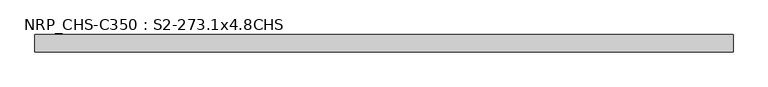
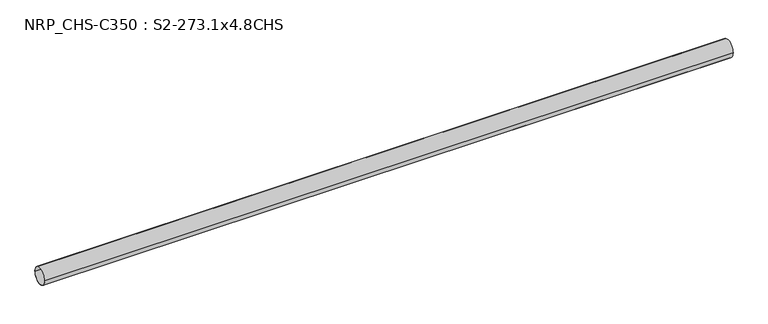
"""IFC4 building model written with IfcOpenShell, lengths in millimetres: beam geometry, NRP_CHS-C350 : S2-273.1x4.8CHS."""

from ifc_helpers import new_model, si_unit, point, frame, origin, origin_2d, place, context, project, spatial, circle_curve, trimmed, segment, composite_curve, outline, extrude, source, transform, mapped, element, save


def nrp_chs_c350_s2_273_1x4_8chs_20ac009b(model_context):
    return source(origin(), model_context, "Body", "SweptSolid", [
        extrude(outline(composite_curve([segment(trimmed(circle_curve(origin_2d(), 136.55), [point((136.55, 0.0))], [point((-136.55, 0.0))], False, "CARTESIAN"), True, "CONTINUOUS"), segment(trimmed(circle_curve(origin_2d(), 136.55), [point((-136.55, 0.0))], [point((136.55, 0.0))], False, "CARTESIAN"), True, "CONTINUOUS")], self_intersect=False), holes=[composite_curve([segment(trimmed(circle_curve(origin_2d(), 131.75), [point((-131.75, 0.0))], [point((131.75, 0.0))], True, "CARTESIAN"), True, "CONTINUOUS"), segment(trimmed(circle_curve(origin_2d(), 131.75), [point((131.75, 0.0))], [point((-131.75, 0.0))], True, "CARTESIAN"), True, "CONTINUOUS")], self_intersect=False)]), frame((-5352.0, 0.0, 0.0), z_axis=(1.0, 0.0, 0.0), x_axis=(0.0, 1.0, 0.0)), (0.0, 0.0, 1.0), 10894.3),
    ])


if __name__ == "__main__":
    model = new_model("IFC4")
    model_context = context("Model", 3, world=origin())
    ifc_project = project(units=[si_unit("LENGTHUNIT", "METRE", prefix="MILLI")], contexts=[model_context])
    site = spatial("IfcSite", under=ifc_project)
    building = spatial("IfcBuilding", under=site)
    placement = place(None, origin())
    nrp_chs_c350_s2_273_1x4_8chs_shape = nrp_chs_c350_s2_273_1x4_8chs_20ac009b(model_context)
    element("IfcBeam", 1, ObjectType="NRP_CHS-C350 : S2-273.1x4.8CHS", at=placement, inside=building, context=model_context, shape_type="MappedRepresentation", body=[
        mapped(nrp_chs_c350_s2_273_1x4_8chs_shape, transform((0.0, 0.0, 0.0), x_axis=(1.0, 0.0, 0.0), y_axis=(0.0, 1.0, 0.0), z_axis=(0.0, 0.0, 1.0))),
    ])
    save(model, "model.ifc")
